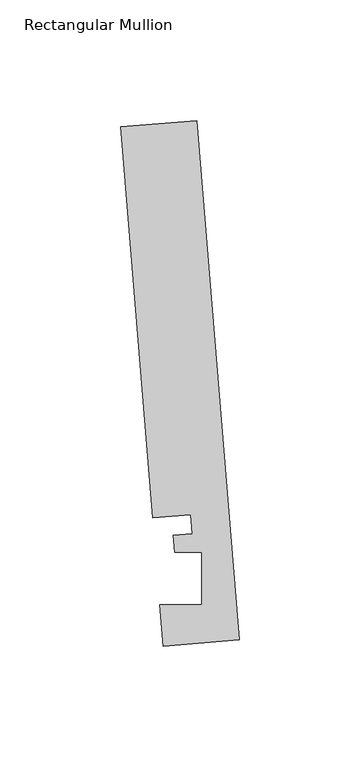
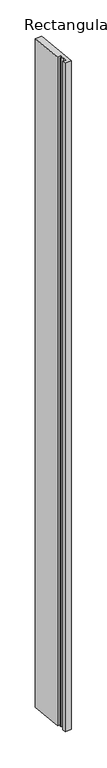
"""IFC4 building model written with IfcOpenShell, lengths in millimetres: member geometry, Rectangular Mullion."""

from ifc_helpers import new_model, si_unit, frame, origin, place, context, project, spatial, polyline, outline, extrude, source, transform, mapped, element, save


def rectangular_mullion_9b30ae12(model_context):
    return source(origin(), model_context, "Body", "SweptSolid", [
        extrude(outline(polyline([(-0.2190396, 2.6699364), (-31.8627302, 0.0739116), (-33.2772473, 17.315866), (-15.8506254, 17.315866), (-15.848851, 38.9474576), (-27.100463, 38.9474576), (-27.6861262, 46.0862742), (-19.7625461, 46.7363188), (-20.4084371, 54.6092691), (-36.2302824, 53.3112566), (-49.5364672, 215.5041572), (-17.8927766, 218.100182), (-0.2190396, 2.6699364)])), frame((0.0, 0.0, -3366.6284881), z_axis=(0.0, 0.0, 1.0), x_axis=(1.0, 0.0, 0.0)), (0.0, 0.0, 1.0), 3366.6284881),
    ])


if __name__ == "__main__":
    model = new_model("IFC4")
    model_context = context("Model", 3, world=origin())
    ifc_project = project(units=[si_unit("LENGTHUNIT", "METRE", prefix="MILLI")], contexts=[model_context])
    site = spatial("IfcSite", under=ifc_project)
    building = spatial("IfcBuilding", under=site)
    placement = place(None, origin())
    rectangular_mullion_shape = rectangular_mullion_9b30ae12(model_context)
    element("IfcMember", 1, ObjectType="Rectangular Mullion", at=placement, inside=building, context=model_context, shape_type="MappedRepresentation", body=[
        mapped(rectangular_mullion_shape, transform((0.0, 0.0, 0.0), x_axis=(1.0, 0.0, 0.0), y_axis=(0.0, 1.0, 0.0), z_axis=(0.0, 0.0, 1.0))),
    ])
    save(model, "model.ifc")
